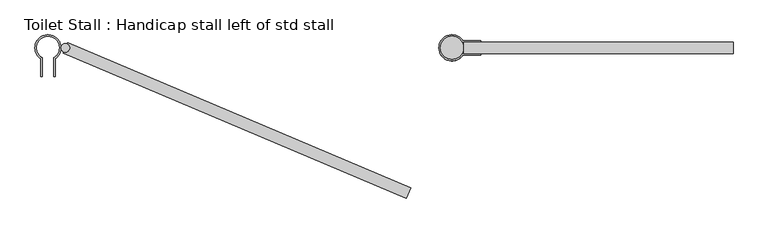
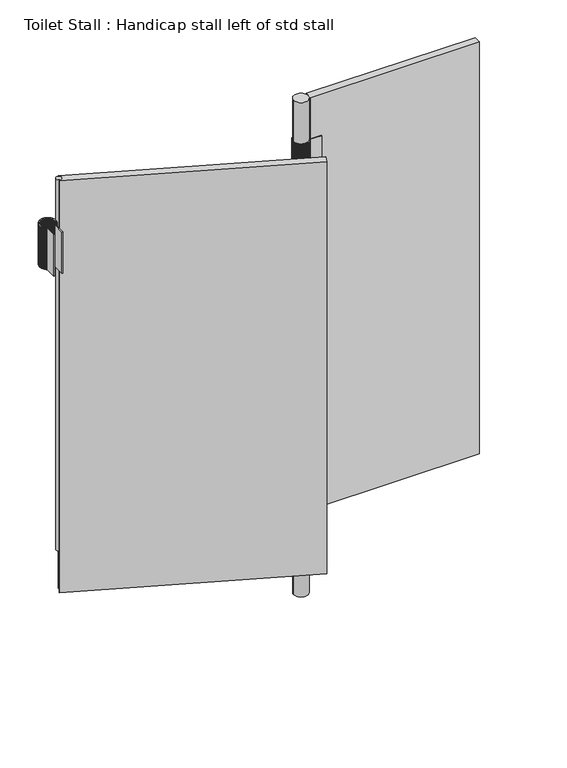
"""IFC4 building model written with IfcOpenShell, lengths in millimetres: proxy geometry, Toilet Stall : Handicap stall left of std stall."""

from ifc_helpers import new_model, si_unit, point, frame, frame_2d, origin, origin_with_axes, place, context, project, spatial, polyline, circle_curve, trimmed, segment, composite_curve, outline, extrude, faceted_brep, source, transform, mapped, element, save


def toilet_stall_handicap_stall_left_of_std_stall_191e0fab(model_context):
    return source(origin(), model_context, "Body", "SolidModel", [
        faceted_brep([(492.7064458, 1262.0625, 1524.0), (492.7064458, 1265.2375, 1524.0), (492.7064458, 1265.2375, 1676.4), (492.7064458, 1262.0625, 1676.4), (452.9822829, 1262.0625, 1524.0), (452.8451319, 1261.84272, 1524.0), (451.404067, 1259.9071079, 1524.0), (449.8049465, 1258.0998793, 1524.0), (448.0591566, 1256.4339021, 1524.0), (446.1791281, 1254.9210389, 1524.0), (444.1782476, 1253.5720619, 1524.0), (442.0707621, 1252.3965761, 1524.0), (439.8716776, 1251.4029517, 1524.0), (437.5966526, 1250.5982634, 1524.0), (435.261886, 1249.9882412, 1524.0), (432.8840024, 1249.5772284, 1524.0), (430.4799332, 1249.3681518, 1524.0), (428.0281461, 1249.3625, 1524.0), (425.5421545, 1249.5739321, 1524.0), (423.0840504, 1250.0012281, 1524.0), (420.6725415, 1250.6411359, 1524.0), (418.3259807, 1251.4887856, 1524.0), (416.0622268, 1252.537726, 1524.0), (413.8985083, 1253.7799739, 1524.0), (411.8512925, 1255.2060753, 1524.0), (409.9361599, 1256.8051765, 1524.0), (408.1676858, 1258.5651074, 1524.0), (406.5593294, 1260.472474, 1524.0), (405.1233312, 1262.5127599, 1524.0), (403.87062, 1264.6704375, 1524.0), (402.8107298, 1266.9290854, 1524.0), (401.9517269, 1269.2715139, 1524.0), (401.3001489, 1271.6798959, 1524.0), (400.8609546, 1274.135902, 1524.0), (400.6374867, 1276.6208406, 1524.0), (400.6314458, 1279.1157997, 1524.0), (400.8428779, 1281.6017913, 1524.0), (401.2701738, 1284.0598954, 1524.0), (401.9100817, 1286.4714043, 1524.0), (402.7577314, 1288.8179651, 1524.0), (403.8066717, 1291.081719, 1524.0), (405.0489197, 1293.2454375, 1524.0), (406.4750211, 1295.2926533, 1524.0), (408.0741223, 1297.2077859, 1524.0), (409.8340532, 1298.97626, 1524.0), (411.7414198, 1300.5846164, 1524.0), (413.7817057, 1302.0206146, 1524.0), (415.9393833, 1303.2733258, 1524.0), (418.1980311, 1304.333216, 1524.0), (420.5404597, 1305.1922189, 1524.0), (422.9488417, 1305.8437969, 1524.0), (425.4048478, 1306.2829911, 1524.0), (427.8897863, 1306.5064591, 1524.0), (430.3460954, 1306.5125, 1524.0), (432.7511176, 1306.3146867, 1524.0), (435.1309004, 1305.9148169, 1524.0), (437.4684988, 1305.3157378, 1524.0), (439.7472682, 1304.521715, 1524.0), (441.9509828, 1303.5384024, 1524.0), (444.0639514, 1302.3728014, 1524.0), (446.0711288, 1301.0332115, 1524.0), (447.9582232, 1299.5291713, 1524.0), (449.7117976, 1297.8713901, 1524.0), (451.319366, 1296.0716718, 1524.0), (452.7694818, 1294.1428312, 1524.0), (452.9822829, 1293.8125, 1524.0), (492.7064458, 1293.8125, 1524.0), (492.7064458, 1290.6375, 1524.0), (451.2211098, 1290.6375, 1524.0), (450.2226815, 1292.2374487, 1524.0), (448.9422703, 1293.9583591, 1524.0), (447.5213324, 1295.5651948, 1524.0), (445.9699854, 1297.0465145, 1524.0), (444.2992755, 1298.3917706, 1524.0), (442.5210989, 1299.5913844, 1524.0), (440.6481167, 1300.6368141, 1524.0), (438.6936655, 1301.520616, 1524.0), (436.6716615, 1302.2364969, 1524.0), (434.5965024, 1302.7793595, 1524.0), (432.4829639, 1303.1453386, 1524.0), (430.3460954, 1303.331828, 1524.0), (428.1670343, 1303.3375, 1524.0), (425.9572337, 1303.1502547, 1524.0), (423.7721616, 1302.771125, 1524.0), (421.6284477, 1302.2029965, 1524.0), (419.5424069, 1301.4501929, 1524.0), (417.5299152, 1300.5184435, 1524.0), (415.6062891, 1299.4148395, 1524.0), (413.7861683, 1298.14778, 1524.0), (412.0834051, 1296.7269081, 1524.0), (410.5109587, 1295.1630374, 1524.0), (409.0807961, 1293.4680699, 1524.0), (407.8038019, 1291.6549055, 1524.0), (406.6896948, 1289.7373433, 1524.0), (405.7469537, 1287.7299772, 1524.0), (404.9827536, 1285.6480844, 1524.0), (404.4029103, 1283.5075094, 1524.0), (404.011837, 1281.3245433, 1524.0), (403.8125098, 1279.1157997, 1524.0), (403.8064458, 1276.8980886, 1524.0), (403.9936911, 1274.688288, 1524.0), (404.3728208, 1272.5032158, 1524.0), (404.9409493, 1270.3595019, 1524.0), (405.6937529, 1268.2734611, 1524.0), (406.6255022, 1266.2609695, 1524.0), (407.7291062, 1264.3373433, 1524.0), (408.9961658, 1262.5172225, 1524.0), (410.4170377, 1260.8144594, 1524.0), (411.9809084, 1259.2420129, 1524.0), (413.6758759, 1257.8118503, 1524.0), (415.4890403, 1256.5348562, 1524.0), (417.4066025, 1255.420749, 1524.0), (419.4139686, 1254.478008, 1524.0), (421.4958614, 1253.7138078, 1524.0), (423.6364364, 1253.1339645, 1524.0), (425.8194025, 1252.7428912, 1524.0), (428.0281461, 1252.543564, 1524.0), (430.2117794, 1252.5375, 1524.0), (432.3496044, 1252.7126858, 1524.0), (434.4650488, 1253.0674821, 1524.0), (436.5430499, 1253.5993625, 1524.0), (438.5688115, 1254.3045399, 1524.0), (440.5279095, 1255.1779931, 1524.0), (442.4063943, 1256.2135028, 1524.0), (444.1908904, 1257.4036958, 1524.0), (445.8686914, 1258.7400974, 1524.0), (447.4278507, 1260.2131919, 1524.0), (448.8572666, 1261.8124904, 1524.0), (450.1467611, 1263.5266052, 1524.0), (451.2211098, 1265.2375, 1524.0), (451.2211098, 1265.2375, 1676.4), (450.151573, 1263.5236023, 1676.4), (448.8618083, 1261.8090926, 1676.4), (447.4320897, 1260.2094233, 1676.4), (445.8725976, 1258.7359848, 1676.4), (444.1944359, 1257.3992685, 1676.4), (442.409554, 1256.2087924, 1676.4), (440.5306609, 1255.1730331, 1676.4), (438.5711349, 1254.2993656, 1676.4), (436.5449287, 1253.5940107, 1676.4), (434.4664697, 1253.061991, 1676.4), (432.3505573, 1252.7070945, 1676.4), (430.2122576, 1252.5318482, 1676.4), (428.0281461, 1252.5375, 1676.4), (425.818874, 1252.7368503, 1676.4), (423.6353834, 1253.1279927, 1676.4), (421.4942919, 1253.7079504, 1676.4), (419.4118946, 1254.4723097, 1676.4), (417.4040397, 1255.4152532, 1676.4), (415.4860083, 1256.5296046, 1676.4), (413.6723977, 1257.806883, 1676.4), (411.9770106, 1259.2373676, 1676.4), (410.4127498, 1260.8101715, 1676.4), (408.9915205, 1262.5133246, 1676.4), (407.7241389, 1264.3338651, 1676.4), (406.6202507, 1266.2579375, 1676.4), (405.688257, 1268.2708983, 1676.4), (404.935251, 1270.3574279, 1676.4), (404.3669634, 1272.5016464, 1676.4), (403.9877193, 1274.687235, 1676.4), (403.8004049, 1276.89756, 1676.4), (403.8064458, 1279.1157997, 1676.4), (404.005796, 1281.3250718, 1676.4), (404.3969385, 1283.5085624, 1676.4), (404.9768962, 1285.6496539, 1676.4), (405.7412554, 1287.7320512, 1676.4), (406.684199, 1289.739906, 1676.4), (407.7985504, 1291.6579375, 1676.4), (409.0758288, 1293.4715481, 1676.4), (410.5063134, 1295.1669352, 1676.4), (412.0791172, 1296.7311959, 1676.4), (413.7822704, 1298.1524253, 1676.4), (415.6028109, 1299.4198069, 1676.4), (417.5268833, 1300.5236951, 1676.4), (419.5398441, 1301.4556888, 1676.4), (421.6263737, 1302.2086948, 1676.4), (423.7705921, 1302.7769824, 1676.4), (425.9561807, 1303.1562265, 1676.4), (428.1665058, 1303.3435409, 1676.4), (430.3460954, 1303.3375, 1676.4), (432.4834421, 1303.1509904, 1676.4), (434.5974554, 1302.7849509, 1676.4), (436.6730825, 1302.241988, 1676.4), (438.6955443, 1301.5259677, 1676.4), (440.6504401, 1300.6419884, 1676.4), (442.5238502, 1299.5963444, 1676.4), (444.3024352, 1298.396481, 1676.4), (445.973531, 1297.0509417, 1676.4), (447.5252386, 1295.5693074, 1676.4), (448.9465093, 1293.9621277, 1676.4), (450.2272231, 1292.2408465, 1676.4), (451.2211098, 1290.6375, 1676.4), (492.7064458, 1290.6375, 1676.4), (492.7064458, 1293.8125, 1676.4), (452.9822829, 1293.8125, 1676.4), (452.7740235, 1294.146229, 1676.4), (451.323605, 1296.0754404, 1676.4), (449.7157038, 1297.8755026, 1676.4), (447.9617687, 1299.5335986, 1676.4), (446.0742885, 1301.0379219, 1676.4), (444.0667028, 1302.3777614, 1676.4), (441.9533062, 1303.5435767, 1676.4), (439.749147, 1304.5270668, 1676.4), (437.4699198, 1305.3212289, 1676.4), (435.1318534, 1305.9204083, 1676.4), (432.7515958, 1306.3203386, 1676.4), (430.3460954, 1306.518172, 1676.4), (427.8892578, 1306.5125, 1676.4), (425.4037948, 1306.288963, 1676.4), (422.9472722, 1305.8496543, 1676.4), (420.5383857, 1305.1979172, 1676.4), (418.1954684, 1304.3387118, 1676.4), (415.9363513, 1303.2785773, 1676.4), (413.7782276, 1302.0255819, 1676.4), (411.7375219, 1300.5892617, 1676.4), (409.8297653, 1298.9805479, 1676.4), (408.069477, 1297.2116837, 1676.4), (406.4700537, 1295.2961314, 1676.4), (405.0436681, 1293.2484695, 1676.4), (403.8011759, 1291.0842818, 1676.4), (402.7520331, 1288.8200391, 1676.4), (401.9042243, 1286.4729738, 1676.4), (401.264202, 1284.0609484, 1676.4), (400.836837, 1281.6023198, 1676.4), (400.6253818, 1279.1157997, 1676.4), (400.6314458, 1276.620312, 1676.4), (400.8549828, 1274.134849, 1676.4), (401.2942915, 1271.6783264, 1676.4), (401.9460286, 1269.2694399, 1676.4), (402.805234, 1266.9265226, 1676.4), (403.8653685, 1264.6674055, 1676.4), (405.1183638, 1262.5092818, 1676.4), (406.5546841, 1260.4685761, 1676.4), (408.1633979, 1258.5608195, 1676.4), (409.932262, 1256.8005312, 1676.4), (411.8478143, 1255.2011079, 1676.4), (413.8954763, 1253.7747224, 1676.4), (416.059664, 1252.5322301, 1676.4), (418.3239067, 1251.4830873, 1676.4), (420.670972, 1250.6352785, 1676.4), (423.0829974, 1249.9952562, 1676.4), (425.541626, 1249.5678912, 1676.4), (428.0281461, 1249.356436, 1676.4), (430.4804113, 1249.3625, 1676.4), (432.8849554, 1249.5716371, 1676.4), (435.263307, 1249.98275, 1676.4), (437.5985315, 1250.5929117, 1676.4), (439.874001, 1251.3977773, 1676.4), (442.0735134, 1252.3916161, 1676.4), (444.1814073, 1253.5673515, 1676.4), (446.1826737, 1254.9166117, 1676.4), (448.0630628, 1256.4297896, 1676.4), (449.8091855, 1258.0961107, 1676.4), (451.4086086, 1259.9037101, 1676.4), (452.8499438, 1261.8397171, 1676.4), (452.9822829, 1262.0625, 1676.4)], [[[0, 1, 2, 3]], [[1, 0, 4, 5, 6, 7, 8, 9, 10, 11, 12, 13, 14, 15, 16, 17, 18, 19, 20, 21, 22, 23, 24, 25, 26, 27, 28, 29, 30, 31, 32, 33, 34, 35, 36, 37, 38, 39, 40, 41, 42, 43, 44, 45, 46, 47, 48, 49, 50, 51, 52, 53, 54, 55, 56, 57, 58, 59, 60, 61, 62, 63, 64, 65, 66, 67, 68, 69, 70, 71, 72, 73, 74, 75, 76, 77, 78, 79, 80, 81, 82, 83, 84, 85, 86, 87, 88, 89, 90, 91, 92, 93, 94, 95, 96, 97, 98, 99, 100, 101, 102, 103, 104, 105, 106, 107, 108, 109, 110, 111, 112, 113, 114, 115, 116, 117, 118, 119, 120, 121, 122, 123, 124, 125, 126, 127, 128, 129]], [[2, 1, 129, 130]], [[3, 2, 130, 131, 132, 133, 134, 135, 136, 137, 138, 139, 140, 141, 142, 143, 144, 145, 146, 147, 148, 149, 150, 151, 152, 153, 154, 155, 156, 157, 158, 159, 160, 161, 162, 163, 164, 165, 166, 167, 168, 169, 170, 171, 172, 173, 174, 175, 176, 177, 178, 179, 180, 181, 182, 183, 184, 185, 186, 187, 188, 189, 190, 191, 192, 193, 194, 195, 196, 197, 198, 199, 200, 201, 202, 203, 204, 205, 206, 207, 208, 209, 210, 211, 212, 213, 214, 215, 216, 217, 218, 219, 220, 221, 222, 223, 224, 225, 226, 227, 228, 229, 230, 231, 232, 233, 234, 235, 236, 237, 238, 239, 240, 241, 242, 243, 244, 245, 246, 247, 248, 249, 250, 251, 252, 253, 254, 255]], [[0, 3, 255, 4]], [[130, 129, 128, 131]], [[4, 255, 254, 5]], [[131, 128, 127, 132]], [[5, 254, 253, 6]], [[132, 127, 126, 133]], [[6, 253, 252, 7]], [[133, 126, 125, 134]], [[7, 252, 251, 8]], [[134, 125, 124, 135]], [[8, 251, 250, 9]], [[135, 124, 123, 136]], [[9, 250, 249, 10]], [[136, 123, 122, 137]], [[10, 249, 248, 11]], [[137, 122, 121, 138]], [[11, 248, 247, 12]], [[138, 121, 120, 139]], [[12, 247, 246, 13]], [[139, 120, 119, 140]], [[13, 246, 245, 14]], [[140, 119, 118, 141]], [[14, 245, 244, 15]], [[141, 118, 117, 142]], [[15, 244, 243, 16]], [[143, 142, 117, 116]], [[17, 16, 243, 242]], [[143, 116, 115, 144]], [[17, 242, 241, 18]], [[144, 115, 114, 145]], [[18, 241, 240, 19]], [[145, 114, 113, 146]], [[19, 240, 239, 20]], [[146, 113, 112, 147]], [[20, 239, 238, 21]], [[147, 112, 111, 148]], [[21, 238, 237, 22]], [[148, 111, 110, 149]], [[22, 237, 236, 23]], [[149, 110, 109, 150]], [[23, 236, 235, 24]], [[150, 109, 108, 151]], [[24, 235, 234, 25]], [[151, 108, 107, 152]], [[25, 234, 233, 26]], [[152, 107, 106, 153]], [[26, 233, 232, 27]], [[153, 106, 105, 154]], [[27, 232, 231, 28]], [[154, 105, 104, 155]], [[28, 231, 230, 29]], [[155, 104, 103, 156]], [[29, 230, 229, 30]], [[156, 103, 102, 157]], [[30, 229, 228, 31]], [[157, 102, 101, 158]], [[31, 228, 227, 32]], [[158, 101, 100, 159]], [[32, 227, 226, 33]], [[159, 100, 99, 160]], [[33, 226, 225, 34]], [[160, 99, 98, 161]], [[34, 225, 224, 35]], [[161, 98, 97, 162]], [[35, 224, 223, 36]], [[162, 97, 96, 163]], [[36, 223, 222, 37]], [[163, 96, 95, 164]], [[37, 222, 221, 38]], [[164, 95, 94, 165]], [[38, 221, 220, 39]], [[165, 94, 93, 166]], [[39, 220, 219, 40]], [[166, 93, 92, 167]], [[40, 219, 218, 41]], [[167, 92, 91, 168]], [[41, 218, 217, 42]], [[168, 91, 90, 169]], [[42, 217, 216, 43]], [[169, 90, 89, 170]], [[43, 216, 215, 44]], [[170, 89, 88, 171]], [[44, 215, 214, 45]], [[171, 88, 87, 172]], [[45, 214, 213, 46]], [[172, 87, 86, 173]], [[46, 213, 212, 47]], [[173, 86, 85, 174]], [[47, 212, 211, 48]], [[174, 85, 84, 175]], [[48, 211, 210, 49]], [[175, 84, 83, 176]], [[49, 210, 209, 50]], [[176, 83, 82, 177]], [[50, 209, 208, 51]], [[177, 82, 81, 178]], [[51, 208, 207, 52]], [[179, 178, 81, 80]], [[53, 52, 207, 206]], [[179, 80, 79, 180]], [[53, 206, 205, 54]], [[180, 79, 78, 181]], [[54, 205, 204, 55]], [[181, 78, 77, 182]], [[55, 204, 203, 56]], [[182, 77, 76, 183]], [[56, 203, 202, 57]], [[183, 76, 75, 184]], [[57, 202, 201, 58]], [[184, 75, 74, 185]], [[58, 201, 200, 59]], [[185, 74, 73, 186]], [[59, 200, 199, 60]], [[186, 73, 72, 187]], [[60, 199, 198, 61]], [[187, 72, 71, 188]], [[61, 198, 197, 62]], [[188, 71, 70, 189]], [[62, 197, 196, 63]], [[189, 70, 69, 190]], [[63, 196, 195, 64]], [[190, 69, 68, 191]], [[64, 195, 194, 65]], [[66, 193, 192, 67]], [[191, 68, 67, 192]], [[65, 194, 193, 66]]]),
        faceted_brep([(492.7064458, 1262.0625, 457.2), (492.7064458, 1265.2375, 457.2), (492.7064458, 1265.2375, 609.6), (492.7064458, 1262.0625, 609.6), (452.9822829, 1262.0625, 457.2), (452.8451319, 1261.84272, 457.2), (451.404067, 1259.9071079, 457.2), (449.8049465, 1258.0998793, 457.2), (448.0591566, 1256.4339021, 457.2), (446.1791281, 1254.9210389, 457.2), (444.1782476, 1253.5720619, 457.2), (442.0707621, 1252.3965761, 457.2), (439.8716776, 1251.4029517, 457.2), (437.5966526, 1250.5982634, 457.2), (435.261886, 1249.9882412, 457.2), (432.8840024, 1249.5772284, 457.2), (430.4799332, 1249.3681518, 457.2), (428.0281461, 1249.3625, 457.2), (425.5421545, 1249.5739321, 457.2), (423.0840504, 1250.0012281, 457.2), (420.6725415, 1250.6411359, 457.2), (418.3259807, 1251.4887856, 457.2), (416.0622268, 1252.537726, 457.2), (413.8985083, 1253.7799739, 457.2), (411.8512925, 1255.2060753, 457.2), (409.9361599, 1256.8051765, 457.2), (408.1676858, 1258.5651074, 457.2), (406.5593294, 1260.472474, 457.2), (405.1233312, 1262.5127599, 457.2), (403.87062, 1264.6704375, 457.2), (402.8107298, 1266.9290854, 457.2), (401.9517269, 1269.2715139, 457.2), (401.3001489, 1271.6798959, 457.2), (400.8609546, 1274.135902, 457.2), (400.6374867, 1276.6208406, 457.2), (400.6314458, 1279.1157997, 457.2), (400.8428779, 1281.6017913, 457.2), (401.2701738, 1284.0598954, 457.2), (401.9100817, 1286.4714043, 457.2), (402.7577314, 1288.8179651, 457.2), (403.8066717, 1291.081719, 457.2), (405.0489197, 1293.2454375, 457.2), (406.4750211, 1295.2926533, 457.2), (408.0741223, 1297.2077859, 457.2), (409.8340532, 1298.97626, 457.2), (411.7414198, 1300.5846164, 457.2), (413.7817057, 1302.0206146, 457.2), (415.9393833, 1303.2733258, 457.2), (418.1980311, 1304.333216, 457.2), (420.5404597, 1305.1922189, 457.2), (422.9488417, 1305.8437969, 457.2), (425.4048478, 1306.2829911, 457.2), (427.8897863, 1306.5064591, 457.2), (430.3460954, 1306.5125, 457.2), (432.7511176, 1306.3146867, 457.2), (435.1309004, 1305.9148169, 457.2), (437.4684988, 1305.3157378, 457.2), (439.7472682, 1304.521715, 457.2), (441.9509828, 1303.5384024, 457.2), (444.0639514, 1302.3728014, 457.2), (446.0711288, 1301.0332115, 457.2), (447.9582232, 1299.5291713, 457.2), (449.7117976, 1297.8713901, 457.2), (451.319366, 1296.0716718, 457.2), (452.7694818, 1294.1428312, 457.2), (452.9822829, 1293.8125, 457.2), (492.7064458, 1293.8125, 457.2), (492.7064458, 1290.6375, 457.2), (451.2211098, 1290.6375, 457.2), (450.2226815, 1292.2374487, 457.2), (448.9422703, 1293.9583591, 457.2), (447.5213324, 1295.5651948, 457.2), (445.9699854, 1297.0465145, 457.2), (444.2992755, 1298.3917706, 457.2), (442.5210989, 1299.5913844, 457.2), (440.6481167, 1300.6368141, 457.2), (438.6936655, 1301.520616, 457.2), (436.6716615, 1302.2364969, 457.2), (434.5965024, 1302.7793595, 457.2), (432.4829639, 1303.1453386, 457.2), (430.3460954, 1303.331828, 457.2), (428.1670343, 1303.3375, 457.2), (425.9572337, 1303.1502547, 457.2), (423.7721616, 1302.771125, 457.2), (421.6284477, 1302.2029965, 457.2), (419.5424069, 1301.4501929, 457.2), (417.5299152, 1300.5184435, 457.2), (415.6062891, 1299.4148395, 457.2), (413.7861683, 1298.14778, 457.2), (412.0834051, 1296.7269081, 457.2), (410.5109587, 1295.1630374, 457.2), (409.0807961, 1293.4680699, 457.2), (407.8038019, 1291.6549055, 457.2), (406.6896948, 1289.7373433, 457.2), (405.7469537, 1287.7299772, 457.2), (404.9827536, 1285.6480844, 457.2), (404.4029103, 1283.5075094, 457.2), (404.011837, 1281.3245433, 457.2), (403.8125098, 1279.1157997, 457.2), (403.8064458, 1276.8980886, 457.2), (403.9936911, 1274.688288, 457.2), (404.3728208, 1272.5032158, 457.2), (404.9409493, 1270.3595019, 457.2), (405.6937529, 1268.2734611, 457.2), (406.6255022, 1266.2609695, 457.2), (407.7291062, 1264.3373433, 457.2), (408.9961658, 1262.5172225, 457.2), (410.4170377, 1260.8144594, 457.2), (411.9809084, 1259.2420129, 457.2), (413.6758759, 1257.8118503, 457.2), (415.4890403, 1256.5348562, 457.2), (417.4066025, 1255.420749, 457.2), (419.4139686, 1254.478008, 457.2), (421.4958614, 1253.7138078, 457.2), (423.6364364, 1253.1339645, 457.2), (425.8194025, 1252.7428912, 457.2), (428.0281461, 1252.543564, 457.2), (430.2117794, 1252.5375, 457.2), (432.3496044, 1252.7126858, 457.2), (434.4650488, 1253.0674821, 457.2), (436.5430499, 1253.5993625, 457.2), (438.5688115, 1254.3045399, 457.2), (440.5279095, 1255.1779931, 457.2), (442.4063943, 1256.2135028, 457.2), (444.1908904, 1257.4036958, 457.2), (445.8686914, 1258.7400974, 457.2), (447.4278507, 1260.2131919, 457.2), (448.8572666, 1261.8124904, 457.2), (450.1467611, 1263.5266052, 457.2), (451.2211098, 1265.2375, 457.2), (451.2211098, 1265.2375, 609.6), (450.151573, 1263.5236023, 609.6), (448.8618083, 1261.8090926, 609.6), (447.4320897, 1260.2094233, 609.6), (445.8725976, 1258.7359848, 609.6), (444.1944359, 1257.3992685, 609.6), (442.409554, 1256.2087924, 609.6), (440.5306609, 1255.1730331, 609.6), (438.5711349, 1254.2993656, 609.6), (436.5449287, 1253.5940107, 609.6), (434.4664697, 1253.061991, 609.6), (432.3505573, 1252.7070945, 609.6), (430.2122576, 1252.5318482, 609.6), (428.0281461, 1252.5375, 609.6), (425.818874, 1252.7368503, 609.6), (423.6353834, 1253.1279927, 609.6), (421.4942919, 1253.7079504, 609.6), (419.4118946, 1254.4723097, 609.6), (417.4040397, 1255.4152532, 609.6), (415.4860083, 1256.5296046, 609.6), (413.6723977, 1257.806883, 609.6), (411.9770106, 1259.2373676, 609.6), (410.4127498, 1260.8101715, 609.6), (408.9915205, 1262.5133246, 609.6), (407.7241389, 1264.3338651, 609.6), (406.6202507, 1266.2579375, 609.6), (405.688257, 1268.2708983, 609.6), (404.935251, 1270.3574279, 609.6), (404.3669634, 1272.5016464, 609.6), (403.9877193, 1274.687235, 609.6), (403.8004049, 1276.89756, 609.6), (403.8064458, 1279.1157997, 609.6), (404.005796, 1281.3250718, 609.6), (404.3969385, 1283.5085624, 609.6), (404.9768962, 1285.6496539, 609.6), (405.7412554, 1287.7320512, 609.6), (406.684199, 1289.739906, 609.6), (407.7985504, 1291.6579375, 609.6), (409.0758288, 1293.4715481, 609.6), (410.5063134, 1295.1669352, 609.6), (412.0791172, 1296.7311959, 609.6), (413.7822704, 1298.1524253, 609.6), (415.6028109, 1299.4198069, 609.6), (417.5268833, 1300.5236951, 609.6), (419.5398441, 1301.4556888, 609.6), (421.6263737, 1302.2086948, 609.6), (423.7705921, 1302.7769824, 609.6), (425.9561807, 1303.1562265, 609.6), (428.1665058, 1303.3435409, 609.6), (430.3460954, 1303.3375, 609.6), (432.4834421, 1303.1509904, 609.6), (434.5974554, 1302.7849509, 609.6), (436.6730825, 1302.241988, 609.6), (438.6955443, 1301.5259677, 609.6), (440.6504401, 1300.6419884, 609.6), (442.5238502, 1299.5963444, 609.6), (444.3024352, 1298.396481, 609.6), (445.973531, 1297.0509417, 609.6), (447.5252386, 1295.5693074, 609.6), (448.9465093, 1293.9621277, 609.6), (450.2272231, 1292.2408465, 609.6), (451.2211098, 1290.6375, 609.6), (492.7064458, 1290.6375, 609.6), (492.7064458, 1293.8125, 609.6), (452.9822829, 1293.8125, 609.6), (452.7740235, 1294.146229, 609.6), (451.323605, 1296.0754404, 609.6), (449.7157038, 1297.8755026, 609.6), (447.9617687, 1299.5335986, 609.6), (446.0742885, 1301.0379219, 609.6), (444.0667028, 1302.3777614, 609.6), (441.9533062, 1303.5435767, 609.6), (439.749147, 1304.5270668, 609.6), (437.4699198, 1305.3212289, 609.6), (435.1318534, 1305.9204083, 609.6), (432.7515958, 1306.3203386, 609.6), (430.3460954, 1306.518172, 609.6), (427.8892578, 1306.5125, 609.6), (425.4037948, 1306.288963, 609.6), (422.9472722, 1305.8496543, 609.6), (420.5383857, 1305.1979172, 609.6), (418.1954684, 1304.3387118, 609.6), (415.9363513, 1303.2785773, 609.6), (413.7782276, 1302.0255819, 609.6), (411.7375219, 1300.5892617, 609.6), (409.8297653, 1298.9805479, 609.6), (408.069477, 1297.2116837, 609.6), (406.4700537, 1295.2961314, 609.6), (405.0436681, 1293.2484695, 609.6), (403.8011759, 1291.0842818, 609.6), (402.7520331, 1288.8200391, 609.6), (401.9042243, 1286.4729738, 609.6), (401.264202, 1284.0609484, 609.6), (400.836837, 1281.6023198, 609.6), (400.6253818, 1279.1157997, 609.6), (400.6314458, 1276.620312, 609.6), (400.8549828, 1274.134849, 609.6), (401.2942915, 1271.6783264, 609.6), (401.9460286, 1269.2694399, 609.6), (402.805234, 1266.9265226, 609.6), (403.8653685, 1264.6674055, 609.6), (405.1183638, 1262.5092818, 609.6), (406.5546841, 1260.4685761, 609.6), (408.1633979, 1258.5608195, 609.6), (409.932262, 1256.8005312, 609.6), (411.8478143, 1255.2011079, 609.6), (413.8954763, 1253.7747224, 609.6), (416.059664, 1252.5322301, 609.6), (418.3239067, 1251.4830873, 609.6), (420.670972, 1250.6352785, 609.6), (423.0829974, 1249.9952562, 609.6), (425.541626, 1249.5678912, 609.6), (428.0281461, 1249.356436, 609.6), (430.4804113, 1249.3625, 609.6), (432.8849554, 1249.5716371, 609.6), (435.263307, 1249.98275, 609.6), (437.5985315, 1250.5929117, 609.6), (439.874001, 1251.3977773, 609.6), (442.0735134, 1252.3916161, 609.6), (444.1814073, 1253.5673515, 609.6), (446.1826737, 1254.9166117, 609.6), (448.0630628, 1256.4297896, 609.6), (449.8091855, 1258.0961107, 609.6), (451.4086086, 1259.9037101, 609.6), (452.8499438, 1261.8397171, 609.6), (452.9822829, 1262.0625, 609.6)], [[[0, 1, 2, 3]], [[1, 0, 4, 5, 6, 7, 8, 9, 10, 11, 12, 13, 14, 15, 16, 17, 18, 19, 20, 21, 22, 23, 24, 25, 26, 27, 28, 29, 30, 31, 32, 33, 34, 35, 36, 37, 38, 39, 40, 41, 42, 43, 44, 45, 46, 47, 48, 49, 50, 51, 52, 53, 54, 55, 56, 57, 58, 59, 60, 61, 62, 63, 64, 65, 66, 67, 68, 69, 70, 71, 72, 73, 74, 75, 76, 77, 78, 79, 80, 81, 82, 83, 84, 85, 86, 87, 88, 89, 90, 91, 92, 93, 94, 95, 96, 97, 98, 99, 100, 101, 102, 103, 104, 105, 106, 107, 108, 109, 110, 111, 112, 113, 114, 115, 116, 117, 118, 119, 120, 121, 122, 123, 124, 125, 126, 127, 128, 129]], [[2, 1, 129, 130]], [[3, 2, 130, 131, 132, 133, 134, 135, 136, 137, 138, 139, 140, 141, 142, 143, 144, 145, 146, 147, 148, 149, 150, 151, 152, 153, 154, 155, 156, 157, 158, 159, 160, 161, 162, 163, 164, 165, 166, 167, 168, 169, 170, 171, 172, 173, 174, 175, 176, 177, 178, 179, 180, 181, 182, 183, 184, 185, 186, 187, 188, 189, 190, 191, 192, 193, 194, 195, 196, 197, 198, 199, 200, 201, 202, 203, 204, 205, 206, 207, 208, 209, 210, 211, 212, 213, 214, 215, 216, 217, 218, 219, 220, 221, 222, 223, 224, 225, 226, 227, 228, 229, 230, 231, 232, 233, 234, 235, 236, 237, 238, 239, 240, 241, 242, 243, 244, 245, 246, 247, 248, 249, 250, 251, 252, 253, 254, 255]], [[0, 3, 255, 4]], [[130, 129, 128, 131]], [[4, 255, 254, 5]], [[131, 128, 127, 132]], [[5, 254, 253, 6]], [[132, 127, 126, 133]], [[6, 253, 252, 7]], [[133, 126, 125, 134]], [[7, 252, 251, 8]], [[134, 125, 124, 135]], [[8, 251, 250, 9]], [[135, 124, 123, 136]], [[9, 250, 249, 10]], [[136, 123, 122, 137]], [[10, 249, 248, 11]], [[137, 122, 121, 138]], [[11, 248, 247, 12]], [[138, 121, 120, 139]], [[12, 247, 246, 13]], [[139, 120, 119, 140]], [[13, 246, 245, 14]], [[140, 119, 118, 141]], [[14, 245, 244, 15]], [[141, 118, 117, 142]], [[15, 244, 243, 16]], [[143, 142, 117, 116]], [[17, 16, 243, 242]], [[143, 116, 115, 144]], [[17, 242, 241, 18]], [[144, 115, 114, 145]], [[18, 241, 240, 19]], [[145, 114, 113, 146]], [[19, 240, 239, 20]], [[146, 113, 112, 147]], [[20, 239, 238, 21]], [[147, 112, 111, 148]], [[21, 238, 237, 22]], [[148, 111, 110, 149]], [[22, 237, 236, 23]], [[149, 110, 109, 150]], [[23, 236, 235, 24]], [[150, 109, 108, 151]], [[24, 235, 234, 25]], [[151, 108, 107, 152]], [[25, 234, 233, 26]], [[152, 107, 106, 153]], [[26, 233, 232, 27]], [[153, 106, 105, 154]], [[27, 232, 231, 28]], [[154, 105, 104, 155]], [[28, 231, 230, 29]], [[155, 104, 103, 156]], [[29, 230, 229, 30]], [[156, 103, 102, 157]], [[30, 229, 228, 31]], [[157, 102, 101, 158]], [[31, 228, 227, 32]], [[158, 101, 100, 159]], [[32, 227, 226, 33]], [[159, 100, 99, 160]], [[33, 226, 225, 34]], [[160, 99, 98, 161]], [[34, 225, 224, 35]], [[161, 98, 97, 162]], [[35, 224, 223, 36]], [[162, 97, 96, 163]], [[36, 223, 222, 37]], [[163, 96, 95, 164]], [[37, 222, 221, 38]], [[164, 95, 94, 165]], [[38, 221, 220, 39]], [[165, 94, 93, 166]], [[39, 220, 219, 40]], [[166, 93, 92, 167]], [[40, 219, 218, 41]], [[167, 92, 91, 168]], [[41, 218, 217, 42]], [[168, 91, 90, 169]], [[42, 217, 216, 43]], [[169, 90, 89, 170]], [[43, 216, 215, 44]], [[170, 89, 88, 171]], [[44, 215, 214, 45]], [[171, 88, 87, 172]], [[45, 214, 213, 46]], [[172, 87, 86, 173]], [[46, 213, 212, 47]], [[173, 86, 85, 174]], [[47, 212, 211, 48]], [[174, 85, 84, 175]], [[48, 211, 210, 49]], [[175, 84, 83, 176]], [[49, 210, 209, 50]], [[176, 83, 82, 177]], [[50, 209, 208, 51]], [[177, 82, 81, 178]], [[51, 208, 207, 52]], [[179, 178, 81, 80]], [[53, 52, 207, 206]], [[179, 80, 79, 180]], [[53, 206, 205, 54]], [[180, 79, 78, 181]], [[54, 205, 204, 55]], [[181, 78, 77, 182]], [[55, 204, 203, 56]], [[182, 77, 76, 183]], [[56, 203, 202, 57]], [[183, 76, 75, 184]], [[57, 202, 201, 58]], [[184, 75, 74, 185]], [[58, 201, 200, 59]], [[185, 74, 73, 186]], [[59, 200, 199, 60]], [[186, 73, 72, 187]], [[60, 199, 198, 61]], [[187, 72, 71, 188]], [[61, 198, 197, 62]], [[188, 71, 70, 189]], [[62, 197, 196, 63]], [[189, 70, 69, 190]], [[63, 196, 195, 64]], [[190, 69, 68, 191]], [[64, 195, 194, 65]], [[66, 193, 192, 67]], [[191, 68, 67, 192]], [[65, 194, 193, 66]]]),
        extrude(outline(polyline([(1045.6468708, 1290.6375), (1045.6468708, 1265.2375), (454.6064458, 1265.2375), (454.6064458, 1290.6375), (1045.6468708, 1290.6375)])), frame((0.0, 0.0, 304.8), z_axis=(0.0, 0.0, 1.0), x_axis=(1.0, 0.0, 0.0)), (0.0, 0.0, 1.0), 1524.0),
        extrude(outline(composite_curve([segment(trimmed(circle_curve(frame_2d((429.2064458, 1277.9375)), 25.4), [point((403.8064458, 1277.9375))], [point((454.6064458, 1277.9375))], False, "CARTESIAN"), True, "CONTINUOUS"), segment(trimmed(circle_curve(frame_2d((429.2064458, 1277.9375)), 25.4), [point((454.6064458, 1277.9375))], [point((403.8064458, 1277.9375))], False, "CARTESIAN"), True, "CONTINUOUS")], self_intersect=False)), origin_with_axes(), (0.0, 0.0, 1.0), 1828.8),
        extrude(outline(composite_curve([segment(trimmed(circle_curve(frame_2d((-418.5185542, 1277.9375)), 9.525), [point((-428.0435542, 1277.9375))], [point((-408.9935542, 1277.9375))], False, "CARTESIAN"), True, "CONTINUOUS"), segment(trimmed(circle_curve(frame_2d((-418.5185542, 1277.9375)), 9.525), [point((-408.9935542, 1277.9375))], [point((-428.0435542, 1277.9375))], False, "CARTESIAN"), True, "CONTINUOUS")], self_intersect=False)), frame((0.0, 0.0, 457.2), z_axis=(0.0, 0.0, 1.0), x_axis=(1.0, 0.0, 0.0)), (0.0, 0.0, 1.0), 1371.6),
        extrude(outline(composite_curve([segment(polyline([(338.9244022, 970.2188171), (328.9998315, 946.8379938), (-423.4808395, 1266.2470884), (-422.2402682, 1269.1696913)]), True, "CONTINUOUS"), segment(trimmed(circle_curve(frame_2d((-418.5185542, 1277.9375)), 9.525), [point((-422.2402682, 1269.1696913))], [point((-409.687128, 1281.5056278))], True, "CARTESIAN"), True, "CONTINUOUS"), segment(trimmed(circle_curve(frame_2d((-418.5185542, 1277.9375)), 9.525), [point((-409.687128, 1281.5056278))], [point((-414.7968402, 1286.7053087))], True, "CARTESIAN"), True, "CONTINUOUS"), segment(polyline([(-414.7968402, 1286.7053087), (-413.5562689, 1289.6279116), (338.9244022, 970.2188171)]), True, "CONTINUOUS")], self_intersect=False)), frame((0.0, 0.0, 304.8), z_axis=(0.0, 0.0, 1.0), x_axis=(1.0, 0.0, 0.0)), (0.0, 0.0, 1.0), 1524.0),
        faceted_brep([(-472.4935542, 1214.4375, 1524.0), (-469.3185542, 1214.4375, 1524.0), (-469.3185542, 1214.4375, 1676.4), (-472.4935542, 1214.4375, 1676.4), (-472.4935542, 1254.1616628, 1524.0), (-472.7133342, 1254.2988139, 1524.0), (-474.6489463, 1255.7398788, 1524.0), (-476.456175, 1257.3389993, 1524.0), (-478.1221521, 1259.0847892, 1524.0), (-479.6350153, 1260.9648176, 1524.0), (-480.9839924, 1262.9656982, 1524.0), (-482.1594781, 1265.0731837, 1524.0), (-483.1531026, 1267.2722682, 1524.0), (-483.9577908, 1269.5472932, 1524.0), (-484.5678131, 1271.8820597, 1524.0), (-484.9788258, 1274.2599434, 1524.0), (-485.1879024, 1276.6640126, 1524.0), (-485.1935542, 1279.1157997, 1524.0), (-484.9821221, 1281.6017913, 1524.0), (-484.5548262, 1284.0598954, 1524.0), (-483.9149183, 1286.4714043, 1524.0), (-483.0672686, 1288.8179651, 1524.0), (-482.0183283, 1291.081719, 1524.0), (-480.7760803, 1293.2454375, 1524.0), (-479.3499789, 1295.2926533, 1524.0), (-477.7508777, 1297.2077859, 1524.0), (-475.9909468, 1298.97626, 1524.0), (-474.0835802, 1300.5846164, 1524.0), (-472.0432943, 1302.0206146, 1524.0), (-469.8856167, 1303.2733258, 1524.0), (-467.6269689, 1304.333216, 1524.0), (-465.2845403, 1305.1922189, 1524.0), (-462.8761583, 1305.8437969, 1524.0), (-460.4201522, 1306.2829911, 1524.0), (-457.9352137, 1306.5064591, 1524.0), (-455.4402545, 1306.5125, 1524.0), (-452.954263, 1306.3010679, 1524.0), (-450.4961589, 1305.8737719, 1524.0), (-448.0846499, 1305.2338641, 1524.0), (-445.7380891, 1304.3862144, 1524.0), (-443.4743352, 1303.337274, 1524.0), (-441.3106167, 1302.0950261, 1524.0), (-439.2634009, 1300.6689247, 1524.0), (-437.3482683, 1299.0698235, 1524.0), (-435.5797942, 1297.3098926, 1524.0), (-433.9714378, 1295.402526, 1524.0), (-432.5354396, 1293.3622401, 1524.0), (-431.2827285, 1291.2045625, 1524.0), (-430.2228382, 1288.9459146, 1524.0), (-429.3638353, 1286.6034861, 1524.0), (-428.7122573, 1284.1951041, 1524.0), (-428.2730631, 1281.739098, 1524.0), (-428.0495951, 1279.2541594, 1524.0), (-428.0435542, 1276.7978504, 1524.0), (-428.2413675, 1274.3928282, 1524.0), (-428.6412373, 1272.0130454, 1524.0), (-429.2403164, 1269.675447, 1524.0), (-430.0343392, 1267.3966776, 1524.0), (-431.0176519, 1265.192963, 1524.0), (-432.1832529, 1263.0799944, 1524.0), (-433.5228427, 1261.0728169, 1524.0), (-435.0268829, 1259.1857226, 1524.0), (-436.6846642, 1257.4321482, 1524.0), (-438.4843824, 1255.8245798, 1524.0), (-440.4132231, 1254.3744639, 1524.0), (-440.7435542, 1254.1616628, 1524.0), (-440.7435542, 1214.4375, 1524.0), (-443.9185542, 1214.4375, 1524.0), (-443.9185542, 1255.922836, 1524.0), (-442.3186055, 1256.9212643, 1524.0), (-440.5976951, 1258.2016755, 1524.0), (-438.9908594, 1259.6226134, 1524.0), (-437.5095397, 1261.1739604, 1524.0), (-436.1642836, 1262.8446702, 1524.0), (-434.9646698, 1264.6228469, 1524.0), (-433.9192401, 1266.495829, 1524.0), (-433.0354383, 1268.4502803, 1524.0), (-432.3195573, 1270.4722842, 1524.0), (-431.7766947, 1272.5474434, 1524.0), (-431.4107157, 1274.6609819, 1524.0), (-431.2242262, 1276.7978504, 1524.0), (-431.2185542, 1278.9769114, 1524.0), (-431.4057996, 1281.186712, 1524.0), (-431.7849292, 1283.3717842, 1524.0), (-432.3530577, 1285.5154981, 1524.0), (-433.1058613, 1287.6015389, 1524.0), (-434.0376107, 1289.6140305, 1524.0), (-435.1412147, 1291.5376567, 1524.0), (-436.4082742, 1293.3577775, 1524.0), (-437.8291462, 1295.0605406, 1524.0), (-439.3930169, 1296.6329871, 1524.0), (-441.0879843, 1298.0631497, 1524.0), (-442.9011487, 1299.3401438, 1524.0), (-444.8187109, 1300.454251, 1524.0), (-446.8260771, 1301.396992, 1524.0), (-448.9079698, 1302.1611922, 1524.0), (-451.0485448, 1302.7410355, 1524.0), (-453.231511, 1303.1321088, 1524.0), (-455.4402545, 1303.331436, 1524.0), (-457.6579657, 1303.3375, 1524.0), (-459.8677663, 1303.1502547, 1524.0), (-462.0528384, 1302.771125, 1524.0), (-464.1965523, 1302.2029965, 1524.0), (-466.2825931, 1301.4501929, 1524.0), (-468.2950848, 1300.5184435, 1524.0), (-470.2187109, 1299.4148395, 1524.0), (-472.0388317, 1298.14778, 1524.0), (-473.7415949, 1296.7269081, 1524.0), (-475.3140413, 1295.1630374, 1524.0), (-476.7442039, 1293.4680699, 1524.0), (-478.0211981, 1291.6549055, 1524.0), (-479.1353052, 1289.7373433, 1524.0), (-480.0780463, 1287.7299772, 1524.0), (-480.8422464, 1285.6480844, 1524.0), (-481.4220897, 1283.5075094, 1524.0), (-481.813163, 1281.3245433, 1524.0), (-482.0124902, 1279.1157997, 1524.0), (-482.0185542, 1276.9321663, 1524.0), (-481.8433684, 1274.7943414, 1524.0), (-481.4885721, 1272.678897, 1524.0), (-480.9566917, 1270.6008959, 1524.0), (-480.2515143, 1268.5751342, 1524.0), (-479.3780611, 1266.6160362, 1524.0), (-478.3425514, 1264.7375515, 1524.0), (-477.1523585, 1262.9530554, 1524.0), (-475.8159569, 1261.2752544, 1524.0), (-474.3428623, 1259.7160951, 1524.0), (-472.7435638, 1258.2866791, 1524.0), (-471.0294491, 1256.9971847, 1524.0), (-469.3185542, 1255.922836, 1524.0), (-469.3185542, 1255.922836, 1676.4), (-471.0324519, 1256.9923728, 1676.4), (-472.7469617, 1258.2821375, 1676.4), (-474.3466309, 1259.711856, 1676.4), (-475.8200694, 1261.2713482, 1676.4), (-477.1567857, 1262.9495098, 1676.4), (-478.3472618, 1264.7343918, 1676.4), (-479.3830211, 1266.6132849, 1676.4), (-480.2566886, 1268.5728109, 1676.4), (-480.9620435, 1270.599017, 1676.4), (-481.4940632, 1272.677476, 1676.4), (-481.8489598, 1274.7933884, 1676.4), (-482.024206, 1276.9316881, 1676.4), (-482.0185542, 1279.1157997, 1676.4), (-481.819204, 1281.3250718, 1676.4), (-481.4280615, 1283.5085624, 1676.4), (-480.8481038, 1285.6496539, 1676.4), (-480.0837446, 1287.7320512, 1676.4), (-479.140801, 1289.739906, 1676.4), (-478.0264496, 1291.6579375, 1676.4), (-476.7491712, 1293.4715481, 1676.4), (-475.3186866, 1295.1669352, 1676.4), (-473.7458828, 1296.7311959, 1676.4), (-472.0427296, 1298.1524253, 1676.4), (-470.2221891, 1299.4198069, 1676.4), (-468.2981167, 1300.5236951, 1676.4), (-466.2851559, 1301.4556888, 1676.4), (-464.1986263, 1302.2086948, 1676.4), (-462.0544079, 1302.7769824, 1676.4), (-459.8688193, 1303.1562265, 1676.4), (-457.6584942, 1303.3435409, 1676.4), (-455.4402545, 1303.3375, 1676.4), (-453.2309824, 1303.1381497, 1676.4), (-451.0474918, 1302.7470073, 1676.4), (-448.9064004, 1302.1670496, 1676.4), (-446.824003, 1301.4026903, 1676.4), (-444.8161482, 1300.4597468, 1676.4), (-442.8981167, 1299.3453954, 1676.4), (-441.0845061, 1298.068117, 1676.4), (-439.389119, 1296.6376324, 1676.4), (-437.8248583, 1295.0648285, 1676.4), (-436.4036289, 1293.3616754, 1676.4), (-435.1362474, 1291.5411349, 1676.4), (-434.0323591, 1289.6170625, 1676.4), (-433.1003655, 1287.6041017, 1676.4), (-432.3473594, 1285.5175721, 1676.4), (-431.7790718, 1283.3733536, 1676.4), (-431.3998277, 1281.187765, 1676.4), (-431.2125133, 1278.97744, 1676.4), (-431.2185542, 1276.7978504, 1676.4), (-431.4050639, 1274.6605037, 1676.4), (-431.7711033, 1272.5464904, 1676.4), (-432.3140662, 1270.4708633, 1676.4), (-433.0300865, 1268.4484014, 1676.4), (-433.9140658, 1266.4935057, 1676.4), (-434.9597098, 1264.6200956, 1676.4), (-436.1595732, 1262.8415105, 1676.4), (-437.5051125, 1261.1704148, 1676.4), (-438.9867468, 1259.6187072, 1676.4), (-440.5939265, 1258.1974365, 1676.4), (-442.3152077, 1256.9167227, 1676.4), (-443.9185542, 1255.922836, 1676.4), (-443.9185542, 1214.4375, 1676.4), (-440.7435542, 1214.4375, 1676.4), (-440.7435542, 1254.1616628, 1676.4), (-440.4098252, 1254.3699223, 1676.4), (-438.4806138, 1255.8203408, 1676.4), (-436.6805516, 1257.428242, 1676.4), (-435.0224556, 1259.182177, 1676.4), (-433.5181323, 1261.0696572, 1676.4), (-432.1782928, 1263.077243, 1676.4), (-431.0124775, 1265.1906396, 1676.4), (-430.0289874, 1267.3947987, 1676.4), (-429.2348253, 1269.674026, 1676.4), (-428.6356459, 1272.0120924, 1676.4), (-428.2357157, 1274.39235, 1676.4), (-428.0378822, 1276.7978504, 1676.4), (-428.0435542, 1279.254688, 1676.4), (-428.2670912, 1281.740151, 1676.4), (-428.7064, 1284.1966736, 1676.4), (-429.3581371, 1286.6055601, 1676.4), (-430.2173424, 1288.9484774, 1676.4), (-431.2774769, 1291.2075945, 1676.4), (-432.5304723, 1293.3657182, 1676.4), (-433.9667925, 1295.4064239, 1676.4), (-435.5755063, 1297.3141805, 1676.4), (-437.3443705, 1299.0744688, 1676.4), (-439.2599228, 1300.6738921, 1676.4), (-441.3075848, 1302.1002776, 1676.4), (-443.4717724, 1303.3427699, 1676.4), (-445.7360151, 1304.3919127, 1676.4), (-448.0830804, 1305.2397215, 1676.4), (-450.4951059, 1305.8797438, 1676.4), (-452.9537344, 1306.3071088, 1676.4), (-455.4402545, 1306.518564, 1676.4), (-457.9357422, 1306.5125, 1676.4), (-460.4212052, 1306.288963, 1676.4), (-462.8777278, 1305.8496543, 1676.4), (-465.2866143, 1305.1979172, 1676.4), (-467.6295316, 1304.3387118, 1676.4), (-469.8886487, 1303.2785773, 1676.4), (-472.0467724, 1302.0255819, 1676.4), (-474.0874781, 1300.5892617, 1676.4), (-475.9952347, 1298.9805479, 1676.4), (-477.755523, 1297.2116837, 1676.4), (-479.3549463, 1295.2961314, 1676.4), (-480.7813319, 1293.2484695, 1676.4), (-482.0238241, 1291.0842818, 1676.4), (-483.0729669, 1288.8200391, 1676.4), (-483.9207757, 1286.4729738, 1676.4), (-484.560798, 1284.0609484, 1676.4), (-484.988163, 1281.6023198, 1676.4), (-485.1996182, 1279.1157997, 1676.4), (-485.1935542, 1276.6635344, 1676.4), (-484.9844172, 1274.2589904, 1676.4), (-484.5733042, 1271.8806388, 1676.4), (-483.9631426, 1269.5454143, 1676.4), (-483.1582769, 1267.2699448, 1676.4), (-482.1644381, 1265.0704324, 1676.4), (-480.9887028, 1262.9625385, 1676.4), (-479.6394425, 1260.9612721, 1676.4), (-478.1262647, 1259.080883, 1676.4), (-476.4599436, 1257.3347603, 1676.4), (-474.6523441, 1255.7353371, 1676.4), (-472.7163371, 1254.2940019, 1676.4), (-472.4935542, 1254.1616628, 1676.4)], [[[0, 1, 2, 3]], [[1, 0, 4, 5, 6, 7, 8, 9, 10, 11, 12, 13, 14, 15, 16, 17, 18, 19, 20, 21, 22, 23, 24, 25, 26, 27, 28, 29, 30, 31, 32, 33, 34, 35, 36, 37, 38, 39, 40, 41, 42, 43, 44, 45, 46, 47, 48, 49, 50, 51, 52, 53, 54, 55, 56, 57, 58, 59, 60, 61, 62, 63, 64, 65, 66, 67, 68, 69, 70, 71, 72, 73, 74, 75, 76, 77, 78, 79, 80, 81, 82, 83, 84, 85, 86, 87, 88, 89, 90, 91, 92, 93, 94, 95, 96, 97, 98, 99, 100, 101, 102, 103, 104, 105, 106, 107, 108, 109, 110, 111, 112, 113, 114, 115, 116, 117, 118, 119, 120, 121, 122, 123, 124, 125, 126, 127, 128, 129]], [[2, 1, 129, 130]], [[3, 2, 130, 131, 132, 133, 134, 135, 136, 137, 138, 139, 140, 141, 142, 143, 144, 145, 146, 147, 148, 149, 150, 151, 152, 153, 154, 155, 156, 157, 158, 159, 160, 161, 162, 163, 164, 165, 166, 167, 168, 169, 170, 171, 172, 173, 174, 175, 176, 177, 178, 179, 180, 181, 182, 183, 184, 185, 186, 187, 188, 189, 190, 191, 192, 193, 194, 195, 196, 197, 198, 199, 200, 201, 202, 203, 204, 205, 206, 207, 208, 209, 210, 211, 212, 213, 214, 215, 216, 217, 218, 219, 220, 221, 222, 223, 224, 225, 226, 227, 228, 229, 230, 231, 232, 233, 234, 235, 236, 237, 238, 239, 240, 241, 242, 243, 244, 245, 246, 247, 248, 249, 250, 251, 252, 253, 254, 255]], [[0, 3, 255, 4]], [[130, 129, 128, 131]], [[4, 255, 254, 5]], [[131, 128, 127, 132]], [[5, 254, 253, 6]], [[132, 127, 126, 133]], [[6, 253, 252, 7]], [[133, 126, 125, 134]], [[7, 252, 251, 8]], [[134, 125, 124, 135]], [[8, 251, 250, 9]], [[135, 124, 123, 136]], [[9, 250, 249, 10]], [[136, 123, 122, 137]], [[10, 249, 248, 11]], [[137, 122, 121, 138]], [[11, 248, 247, 12]], [[138, 121, 120, 139]], [[12, 247, 246, 13]], [[139, 120, 119, 140]], [[13, 246, 245, 14]], [[140, 119, 118, 141]], [[14, 245, 244, 15]], [[141, 118, 117, 142]], [[15, 244, 243, 16]], [[143, 142, 117, 116]], [[17, 16, 243, 242]], [[143, 116, 115, 144]], [[17, 242, 241, 18]], [[144, 115, 114, 145]], [[18, 241, 240, 19]], [[145, 114, 113, 146]], [[19, 240, 239, 20]], [[146, 113, 112, 147]], [[20, 239, 238, 21]], [[147, 112, 111, 148]], [[21, 238, 237, 22]], [[148, 111, 110, 149]], [[22, 237, 236, 23]], [[149, 110, 109, 150]], [[23, 236, 235, 24]], [[150, 109, 108, 151]], [[24, 235, 234, 25]], [[151, 108, 107, 152]], [[25, 234, 233, 26]], [[152, 107, 106, 153]], [[26, 233, 232, 27]], [[153, 106, 105, 154]], [[27, 232, 231, 28]], [[154, 105, 104, 155]], [[28, 231, 230, 29]], [[155, 104, 103, 156]], [[29, 230, 229, 30]], [[156, 103, 102, 157]], [[30, 229, 228, 31]], [[157, 102, 101, 158]], [[31, 228, 227, 32]], [[158, 101, 100, 159]], [[32, 227, 226, 33]], [[159, 100, 99, 160]], [[33, 226, 225, 34]], [[160, 99, 98, 161]], [[34, 225, 224, 35]], [[161, 98, 97, 162]], [[35, 224, 223, 36]], [[162, 97, 96, 163]], [[36, 223, 222, 37]], [[163, 96, 95, 164]], [[37, 222, 221, 38]], [[164, 95, 94, 165]], [[38, 221, 220, 39]], [[165, 94, 93, 166]], [[39, 220, 219, 40]], [[166, 93, 92, 167]], [[40, 219, 218, 41]], [[167, 92, 91, 168]], [[41, 218, 217, 42]], [[168, 91, 90, 169]], [[42, 217, 216, 43]], [[169, 90, 89, 170]], [[43, 216, 215, 44]], [[170, 89, 88, 171]], [[44, 215, 214, 45]], [[171, 88, 87, 172]], [[45, 214, 213, 46]], [[172, 87, 86, 173]], [[46, 213, 212, 47]], [[173, 86, 85, 174]], [[47, 212, 211, 48]], [[174, 85, 84, 175]], [[48, 211, 210, 49]], [[175, 84, 83, 176]], [[49, 210, 209, 50]], [[176, 83, 82, 177]], [[50, 209, 208, 51]], [[177, 82, 81, 178]], [[51, 208, 207, 52]], [[179, 178, 81, 80]], [[53, 52, 207, 206]], [[179, 80, 79, 180]], [[53, 206, 205, 54]], [[180, 79, 78, 181]], [[54, 205, 204, 55]], [[181, 78, 77, 182]], [[55, 204, 203, 56]], [[182, 77, 76, 183]], [[56, 203, 202, 57]], [[183, 76, 75, 184]], [[57, 202, 201, 58]], [[184, 75, 74, 185]], [[58, 201, 200, 59]], [[185, 74, 73, 186]], [[59, 200, 199, 60]], [[186, 73, 72, 187]], [[60, 199, 198, 61]], [[187, 72, 71, 188]], [[61, 198, 197, 62]], [[188, 71, 70, 189]], [[62, 197, 196, 63]], [[189, 70, 69, 190]], [[63, 196, 195, 64]], [[190, 69, 68, 191]], [[64, 195, 194, 65]], [[66, 193, 192, 67]], [[191, 68, 67, 192]], [[65, 194, 193, 66]]]),
    ])


if __name__ == "__main__":
    model = new_model("IFC4")
    model_context = context("Model", 3, world=origin())
    ifc_project = project(units=[si_unit("LENGTHUNIT", "METRE", prefix="MILLI")], contexts=[model_context])
    site = spatial("IfcSite", under=ifc_project)
    building = spatial("IfcBuilding", under=site)
    placement = place(None, origin())
    toilet_stall_handicap_stall_left_of_std_stall_shape = toilet_stall_handicap_stall_left_of_std_stall_191e0fab(model_context)
    element("IfcBuildingElementProxy", 1, Name="Toilet Stall : Handicap stall left of std stall", ObjectType="Toilet Stall : Handicap stall left of std stall", at=placement, inside=building, context=model_context, shape_type="MappedRepresentation", body=[
        mapped(toilet_stall_handicap_stall_left_of_std_stall_shape, transform((0.0, 0.0, 0.0), x_axis=(1.0, 0.0, 0.0), y_axis=(0.0, 1.0, 0.0), z_axis=(0.0, 0.0, 1.0))),
    ])
    save(model, "model.ifc")
